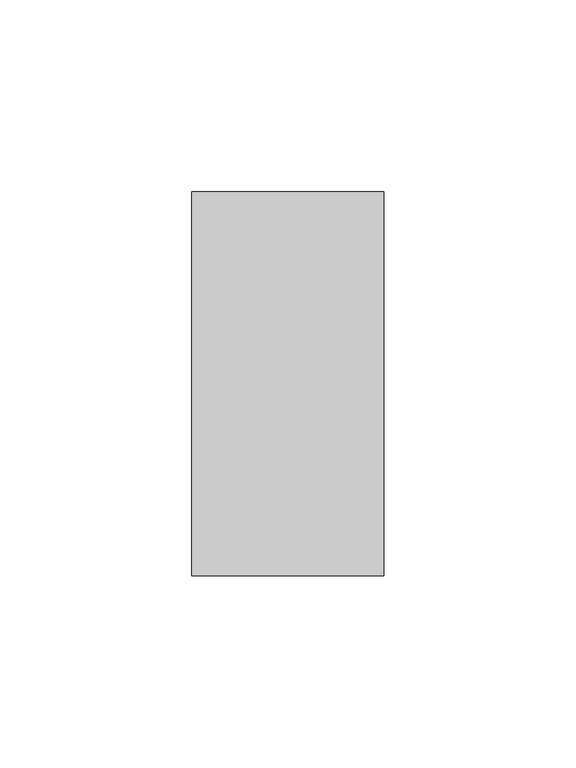
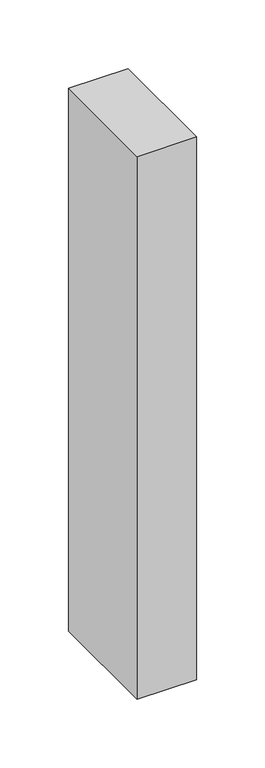
"""IFC4 building model written with IfcOpenShell, lengths in millimetres: member geometry."""

from ifc_helpers import new_model, si_unit, frame, origin, place, context, project, spatial, polyline, outline, extrude, source, transform, mapped, element, save


def member_267efb62(model_context):
    return source(origin(), model_context, "Body", "SweptSolid", [
        extrude(outline(polyline([(0.0, 50.0), (0.0, -50.0), (-50.0, -50.0), (-50.0, 50.0), (0.0, 50.0)])), frame((0.0, 0.0, -482.7375), z_axis=(0.0, 0.0, 1.0), x_axis=(1.0, 0.0, 0.0)), (0.0, 0.0, 1.0), 482.7375),
    ])


if __name__ == "__main__":
    model = new_model("IFC4")
    model_context = context("Model", 3, world=origin())
    ifc_project = project(units=[si_unit("LENGTHUNIT", "METRE", prefix="MILLI")], contexts=[model_context])
    site = spatial("IfcSite", under=ifc_project)
    building = spatial("IfcBuilding", under=site)
    placement = place(None, origin())
    member_shape = member_267efb62(model_context)
    element("IfcMember", 1, at=placement, inside=building, context=model_context, shape_type="MappedRepresentation", body=[
        mapped(member_shape, transform((0.0, 0.0, 0.0), x_axis=(1.0, 0.0, 0.0), y_axis=(0.0, 1.0, 0.0), z_axis=(0.0, 0.0, 1.0))),
    ])
    save(model, "model.ifc")
